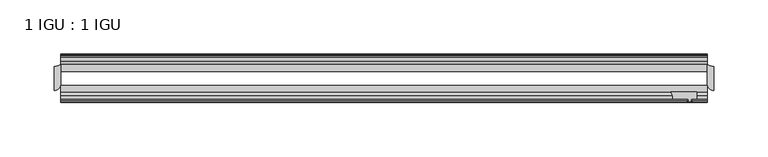
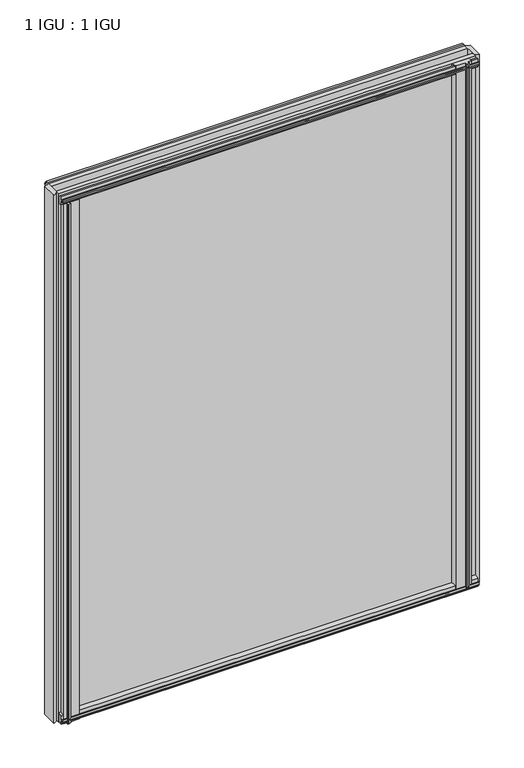
"""IFC4 building model written with IfcOpenShell, lengths in millimetres: plate geometry, 1 IGU : 1 IGU."""

from ifc_helpers import new_model, si_unit, point, frame, frame_2d, origin, place, context, project, spatial, polyline, circle_curve, trimmed, segment, composite_curve, outline, extrude, source, transform, mapped, element, save


def plate_1_igu_1_igu_908db815(model_context):
    return source(origin(), model_context, "Body", "SweptSolid", [
        extrude(outline(composite_curve([segment(trimmed(circle_curve(frame_2d((-304.8, -9.2004624)), 12.1389698), [point((-304.8, -21.3394322))], [point((-298.45, -19.5460937))], True, "CARTESIAN"), True, "CONTINUOUS"), segment(polyline([(-298.45, -19.5460937), (-298.45, -37.2144322)]), True, "CONTINUOUS"), segment(trimmed(circle_curve(frame_2d((-304.8, -37.2144322)), 6.35), [point((-298.45, -37.2144322))], [point((-304.8, -43.5644322))], False, "CARTESIAN"), True, "CONTINUOUS"), segment(polyline([(-304.8, -43.5644322), (-304.8, -21.3394322)]), True, "CONTINUOUS")], self_intersect=False)), frame((0.0, 0.0, -12.4587), z_axis=(0.0, 0.0, 1.0), x_axis=(1.0, 0.0, 0.0)), (0.0, 0.0, 1.0), 799.6174),
        extrude(outline(composite_curve([segment(polyline([(304.8, -21.3394322), (304.8, -43.5644322)]), True, "CONTINUOUS"), segment(trimmed(circle_curve(frame_2d((304.8, -37.2144322)), 6.35), [point((304.8, -43.5644322))], [point((298.45, -37.2144322))], False, "CARTESIAN"), True, "CONTINUOUS"), segment(polyline([(298.45, -37.2144322), (298.45, -19.5460938)]), True, "CONTINUOUS"), segment(trimmed(circle_curve(frame_2d((304.8, -9.2004624)), 12.1389698), [point((298.45, -19.5460938))], [point((304.8, -21.3394322))], True, "CARTESIAN"), True, "CONTINUOUS")], self_intersect=False)), frame((0.0, 0.0, -12.4587), z_axis=(0.0, 0.0, 1.0), x_axis=(1.0, 0.0, 0.0)), (0.0, 0.0, 1.0), 799.6174),
        extrude(outline(composite_curve([segment(polyline([(-295.275, -44.9460937), (-271.1867558, -44.9460937)]), True, "CONTINUOUS"), segment(trimmed(circle_curve(frame_2d((-264.2743721, -50.4227155)), 8.8189814), [point((-271.1867558, -44.9460937))], [point((-273.05, -51.2960937))], True, "CARTESIAN"), True, "CONTINUOUS"), segment(polyline([(-273.05, -51.2960937), (-287.655, -51.2960937), (-287.9725, -53.4006957), (-286.7538941, -53.0741712), (-286.5501, -53.8347412), (-288.925, -54.4710937), (-291.2999, -53.8347412), (-291.0961059, -53.0741712), (-289.8775, -53.4006957), (-290.195, -51.2960937), (-295.275, -51.2960937), (-295.275, -44.9460937)]), True, "CONTINUOUS")], self_intersect=False)), frame((0.0, 0.0, -12.4587), z_axis=(0.0, 0.0, 1.0), x_axis=(1.0, 0.0, 0.0)), (0.0, 0.0, 1.0), 786.9174),
        extrude(outline(composite_curve([segment(polyline([(264.8367558, -44.9460938), (288.925, -44.9460938), (288.925, -51.2960938), (283.845, -51.2960938), (283.5275, -53.4006957), (284.7461059, -53.0741712), (284.9499, -53.8347412), (282.575, -54.4710938), (280.2001, -53.8347412), (280.4038941, -53.0741712), (281.6225, -53.4006957), (281.305, -51.2960938), (266.7, -51.2960938)]), True, "CONTINUOUS"), segment(trimmed(circle_curve(frame_2d((257.9243721, -50.4227155)), 8.8189814), [point((266.7, -51.2960938))], [point((264.8367558, -44.9460938))], True, "CARTESIAN"), True, "CONTINUOUS")], self_intersect=False)), frame((0.0, 0.0, -9.0482291), z_axis=(0.0, 0.0, 1.0), x_axis=(1.0, 0.0, 0.0)), (0.0, 0.0, 1.0), 796.2069291),
        extrude(outline(polyline([(-10.4746158, -4.6931709), (-9.7670937, -6.8707), (-10.4746158, -9.0482291), (-11.27583, -9.0482291), (-10.8158968, -7.6327), (-13.1960937, -8.0137), (-13.1960937, -12.4587), (-16.1424937, -12.4587), (-19.5460937, -9.6243578), (-19.5460937, 1.1970181), (-13.1960937, -0.5207), (-13.1960937, -5.7277), (-10.8158968, -6.1087), (-11.27583, -4.6931709), (-10.4746158, -4.6931709)])), frame((-298.45, 0.0, 0.0), z_axis=(1.0, 0.0, 0.0), x_axis=(0.0, 1.0, 0.0)), (0.0, 0.0, 1.0), 596.9),
        extrude(outline(polyline([(-44.9460937, 1.7177181), (-44.9460937, -9.1036578), (-48.3496937, -11.938), (-51.2960937, -11.938), (-51.2960937, -7.493), (-53.6762907, -7.112), (-53.2163575, -8.5275291), (-54.0175717, -8.5275291), (-54.7250937, -6.35), (-54.0175717, -4.1724709), (-53.2163575, -4.1724709), (-53.6762907, -5.588), (-51.2960937, -5.207), (-51.2960937, 0.0), (-44.9460937, 1.7177181)])), frame((-298.45, 0.0, 0.0), z_axis=(1.0, 0.0, 0.0), x_axis=(0.0, 1.0, 0.0)), (0.0, 0.0, 1.0), 596.9),
        extrude(outline(polyline([(-10.8158968, 782.3327), (-11.27583, 783.7482291), (-10.4746158, 783.7482291), (-9.7670937, 781.5707), (-10.4746158, 779.3931709), (-11.27583, 779.3931709), (-10.8158968, 780.8087), (-13.1960937, 780.4277), (-13.1960937, 775.2207), (-19.5460938, 773.5029819), (-19.5460938, 784.3243578), (-16.1424937, 787.1587), (-13.1960937, 787.1587), (-13.1960937, 782.7137), (-10.8158968, 782.3327)])), frame((-298.45, 0.0, 0.0), z_axis=(1.0, 0.0, 0.0), x_axis=(0.0, 1.0, 0.0)), (0.0, 0.0, 1.0), 596.9),
        extrude(outline(polyline([(-51.2960937, 786.638), (-48.3496937, 786.638), (-44.9460938, 783.8036578), (-44.9460938, 772.9822819), (-51.2960937, 774.7), (-51.2960937, 779.907), (-53.6762907, 780.288), (-53.2163575, 778.8724709), (-54.0175717, 778.8724709), (-54.7250937, 781.05), (-54.0175717, 783.2275291), (-53.2163575, 783.2275291), (-53.6762907, 781.812), (-51.2960937, 782.193), (-51.2960937, 786.638)])), frame((-298.45, 0.0, 0.0), z_axis=(1.0, 0.0, 0.0), x_axis=(0.0, 1.0, 0.0)), (0.0, 0.0, 1.0), 596.9),
        extrude(outline(polyline([(-298.45, -38.9186738), (298.45, -38.9186738), (298.45, -44.9460937), (-298.45, -44.9460937), (-298.45, -38.9186738)])), frame((0.0, 0.0, -12.7), z_axis=(0.0, 0.0, 1.0), x_axis=(1.0, 0.0, 0.0)), (0.0, 0.0, 1.0), 800.1),
        extrude(outline(polyline([(-298.45, -19.5460937), (298.45, -19.5460937), (298.45, -25.8960938), (-298.45, -25.8960938), (-298.45, -19.5460937)])), frame((0.0, 0.0, -12.7), z_axis=(0.0, 0.0, 1.0), x_axis=(1.0, 0.0, 0.0)), (0.0, 0.0, 1.0), 800.1),
    ])


if __name__ == "__main__":
    model = new_model("IFC4")
    model_context = context("Model", 3, world=origin())
    ifc_project = project(units=[si_unit("LENGTHUNIT", "METRE", prefix="MILLI")], contexts=[model_context])
    site = spatial("IfcSite", under=ifc_project)
    building = spatial("IfcBuilding", under=site)
    placement = place(None, origin())
    plate_1_igu_1_igu_shape = plate_1_igu_1_igu_908db815(model_context)
    element("IfcPlate", 1, ObjectType="1 IGU : 1 IGU", at=placement, inside=building, context=model_context, shape_type="MappedRepresentation", body=[
        mapped(plate_1_igu_1_igu_shape, transform((0.0, 0.0, 0.0), x_axis=(1.0, 0.0, 0.0), y_axis=(0.0, 1.0, 0.0), z_axis=(0.0, 0.0, 1.0))),
    ])
    save(model, "model.ifc")
